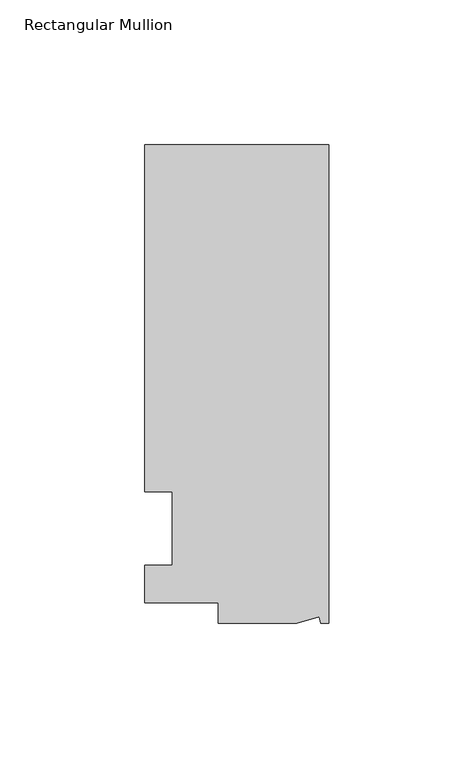
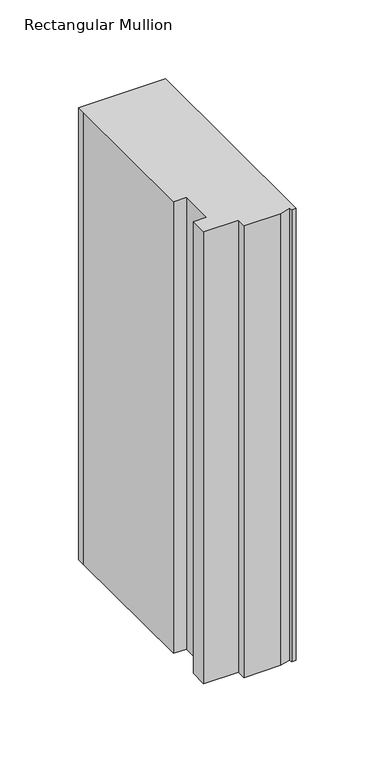
"""IFC4 building model written with IfcOpenShell, lengths in millimetres: member geometry, Rectangular Mullion."""

from ifc_helpers import new_model, si_unit, frame, origin, place, context, project, spatial, polyline, outline, extrude, source, transform, mapped, element, save


def rectangular_mullion_3653cd7d(model_context):
    return source(origin(), model_context, "Body", "SweptSolid", [
        extrude(outline(polyline([(0.0, 132.5561012), (0.0, -32.5438988), (-2.7616541, -32.5438988), (-3.3341886, -30.4622958), (-11.121847, -32.5438988), (-38.1, -32.5438988), (-38.1, -25.5842988), (-63.5, -25.5842988), (-63.5, -12.5945801), (-53.975, -12.5945801), (-53.975, 12.8054199), (-63.5, 12.8054199), (-63.5, 126.2061012), (-63.5, 132.5561012), (0.0, 132.5561012)])), frame((0.0, 0.0, -349.25), z_axis=(0.0, 0.0, 1.0), x_axis=(1.0, 0.0, 0.0)), (0.0, 0.0, 1.0), 349.25),
    ])


if __name__ == "__main__":
    model = new_model("IFC4")
    model_context = context("Model", 3, world=origin())
    ifc_project = project(units=[si_unit("LENGTHUNIT", "METRE", prefix="MILLI")], contexts=[model_context])
    site = spatial("IfcSite", under=ifc_project)
    building = spatial("IfcBuilding", under=site)
    placement = place(None, origin())
    rectangular_mullion_shape = rectangular_mullion_3653cd7d(model_context)
    element("IfcMember", 1, ObjectType="Rectangular Mullion", at=placement, inside=building, context=model_context, shape_type="MappedRepresentation", body=[
        mapped(rectangular_mullion_shape, transform((0.0, 0.0, 0.0), x_axis=(1.0, 0.0, 0.0), y_axis=(0.0, 1.0, 0.0), z_axis=(0.0, 0.0, 1.0))),
    ])
    save(model, "model.ifc")
